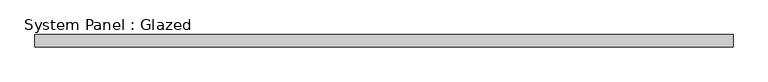
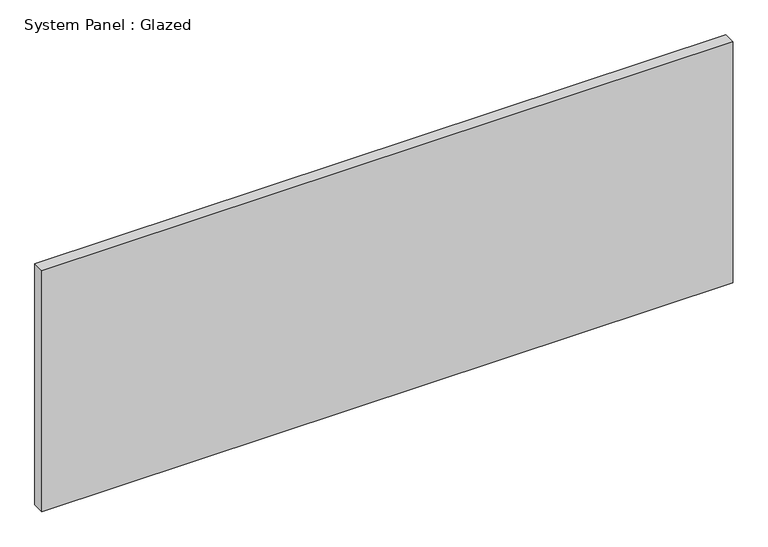
"""IFC4 building model written with IfcOpenShell, lengths in millimetres: plate geometry, System Panel : Glazed."""

from ifc_helpers import new_model, si_unit, origin, origin_with_axes, place, context, project, spatial, polyline, outline, extrude, source, transform, mapped, element, save


def system_panel_glazed_b8c7c870(model_context):
    return source(origin(), model_context, "Body", "SweptSolid", [
        extrude(outline(polyline([(711.8421053, 24.5), (-711.8421053, 24.5), (-711.8421053, 49.5), (711.8421053, 49.5), (711.8421053, 24.5)])), origin_with_axes(), (0.0, 0.0, 1.0), 525.0),
    ])


if __name__ == "__main__":
    model = new_model("IFC4")
    model_context = context("Model", 3, world=origin())
    ifc_project = project(units=[si_unit("LENGTHUNIT", "METRE", prefix="MILLI")], contexts=[model_context])
    site = spatial("IfcSite", under=ifc_project)
    building = spatial("IfcBuilding", under=site)
    placement = place(None, origin())
    system_panel_glazed_shape = system_panel_glazed_b8c7c870(model_context)
    element("IfcPlate", 1, ObjectType="System Panel : Glazed", at=placement, inside=building, context=model_context, shape_type="MappedRepresentation", body=[
        mapped(system_panel_glazed_shape, transform((0.0, 0.0, 0.0), x_axis=(1.0, 0.0, 0.0), y_axis=(0.0, 1.0, 0.0), z_axis=(0.0, 0.0, 1.0))),
    ])
    save(model, "model.ifc")
